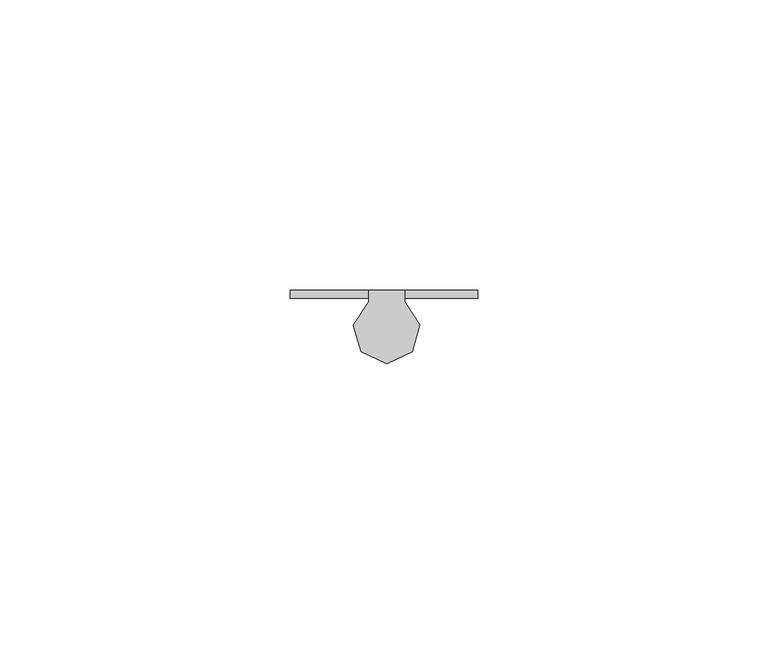
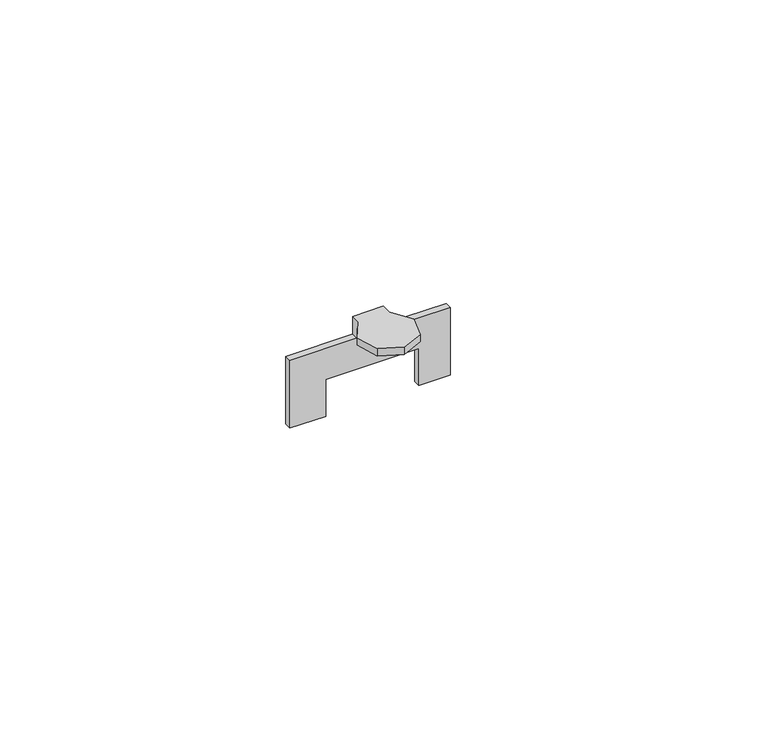
"""IFC4 building model written with IfcOpenShell, lengths in millimetres: furniture geometry."""

from ifc_helpers import new_model, si_unit, origin, place, context, project, spatial, faceted_brep, source, transform, mapped, element, save


def furniture_75c8697a(model_context):
    return source(origin(), model_context, "Body", "Brep", [
        faceted_brep([(-3.1242001, 13.3604002, 1042.9240349), (-3.1242001, 11.3532042, 1042.9240349), (-5.7322065, 7.3015052, 1042.9240349), (-4.3718724, 2.6790099, 1042.9240349), (0.0150581, 0.6858196, 1042.9240349), (4.391564, 2.7017964, 1042.9240349), (5.7278412, 7.3313027, 1042.9240349), (3.0987999, 11.3693857, 1042.9240349), (3.0987999, 13.3604002, 1042.9240349), (3.0987999, 11.3693857, 1041.4), (5.7278412, 7.3313027, 1041.4), (4.391564, 2.7017964, 1041.4), (0.0150581, 0.6858196, 1041.4), (-4.3718724, 2.6790099, 1041.4), (-5.7322065, 7.3015052, 1041.4), (-3.1242001, 11.3532042, 1041.4), (-3.1242001, 11.938, 1041.4), (3.0987999, 11.938, 1041.4), (3.0987999, 11.938, 1039.1140407), (3.0987999, 13.3604002, 1039.1140407), (15.7479997, 13.3604002, 1039.1140407), (15.7479997, 13.3604002, 1024.636), (9.3980001, 13.3604002, 1024.636), (9.3980001, 13.3604002, 1032.5100107), (-9.3980001, 13.3604002, 1032.5100107), (-9.3980001, 13.3604002, 1024.636), (-16.6624005, 13.3604002, 1024.636), (-16.6624005, 13.3604002, 1039.1140407), (-3.1242001, 13.3604002, 1039.1140407), (-3.1242001, 11.938, 1039.1140407), (-9.3980001, 11.938, 1024.636), (-9.3980001, 11.938, 1032.5100107), (9.3980001, 11.938, 1032.5100107), (9.3980001, 11.938, 1024.636), (15.7479997, 11.938, 1024.636), (15.7479997, 11.938, 1039.1140407), (-16.6624005, 11.938, 1039.1140407), (-16.6624005, 11.938, 1024.636)], [[[0, 1, 2, 3, 4, 5, 6, 7, 8]], [[9, 10, 11, 12, 13, 14, 15, 16, 17]], [[2, 1, 15, 14]], [[3, 2, 14, 13]], [[4, 3, 13, 12]], [[5, 4, 12, 11]], [[6, 5, 11, 10]], [[7, 6, 10, 9]], [[7, 9, 17, 18, 19, 8]], [[0, 8, 19, 20, 21, 22, 23, 24, 25, 26, 27, 28]], [[15, 1, 0, 28, 29, 16]], [[30, 31, 32, 33, 34, 35, 18, 17, 16, 29, 36, 37]], [[31, 30, 25, 24]], [[32, 31, 24, 23]], [[33, 32, 23, 22]], [[34, 33, 22, 21]], [[35, 34, 21, 20]], [[18, 35, 20, 19]], [[36, 29, 28, 27]], [[37, 36, 27, 26]], [[30, 37, 26, 25]]]),
    ])


if __name__ == "__main__":
    model = new_model("IFC4")
    model_context = context("Model", 3, world=origin())
    ifc_project = project(units=[si_unit("LENGTHUNIT", "METRE", prefix="MILLI")], contexts=[model_context])
    site = spatial("IfcSite", under=ifc_project)
    building = spatial("IfcBuilding", under=site)
    placement = place(None, origin())
    furniture_shape = furniture_75c8697a(model_context)
    element("IfcFurniture", 1, at=placement, inside=building, context=model_context, shape_type="MappedRepresentation", body=[
        mapped(furniture_shape, transform((0.0, 0.0, 0.0), x_axis=(1.0, 0.0, 0.0), y_axis=(0.0, 1.0, 0.0), z_axis=(0.0, 0.0, 1.0))),
    ])
    save(model, "model.ifc")
